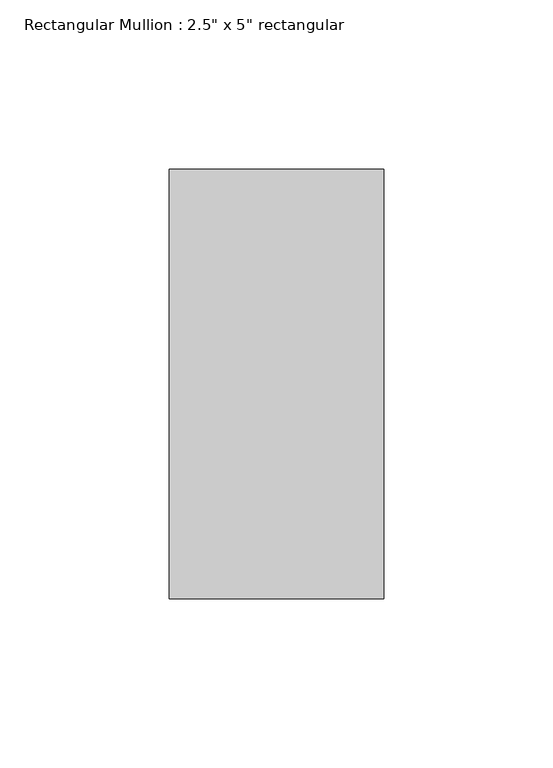
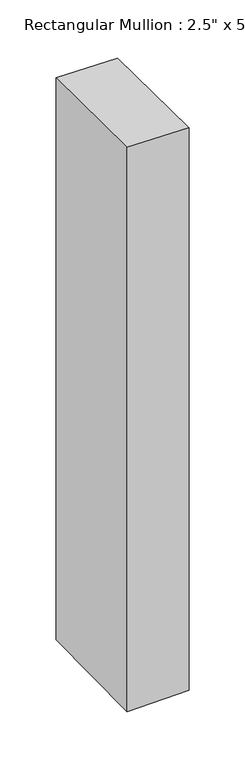
"""IFC4 building model written with IfcOpenShell, lengths in millimetres: member geometry."""

from ifc_helpers import new_model, si_unit, origin, place, context, project, spatial, faceted_brep, source, transform, mapped, element, save


def member_352bfbfd(model_context):
    return source(origin(), model_context, "Body", "Brep", [
        faceted_brep([(-63.5, 63.5, 0.1881295), (0.0, 63.5, -0.7561678), (0.0, 63.5, -609.4126986), (-63.5, 63.5, -610.3974538), (-63.5, -63.5, 1.7004651), (-63.5, -63.5, -611.9058014), (0.0, -63.5, 0.7561678), (0.0, -63.5, -610.9210463)], [[[0, 1, 2, 3]], [[4, 0, 3, 5]], [[6, 4, 5, 7]], [[1, 6, 7, 2]], [[1, 0, 4, 6]], [[2, 7, 5, 3]]]),
    ])


if __name__ == "__main__":
    model = new_model("IFC4")
    model_context = context("Model", 3, world=origin())
    ifc_project = project(units=[si_unit("LENGTHUNIT", "METRE", prefix="MILLI")], contexts=[model_context])
    site = spatial("IfcSite", under=ifc_project)
    building = spatial("IfcBuilding", under=site)
    placement = place(None, origin())
    member_shape = member_352bfbfd(model_context)
    element("IfcMember", 1, ObjectType="Rectangular Mullion : 2.5\" x 5\" rectangular", at=placement, inside=building, context=model_context, shape_type="MappedRepresentation", body=[
        mapped(member_shape, transform((0.0, 0.0, 0.0), x_axis=(1.0, 0.0, 0.0), y_axis=(0.0, 1.0, 0.0), z_axis=(0.0, 0.0, 1.0))),
    ])
    save(model, "model.ifc")
